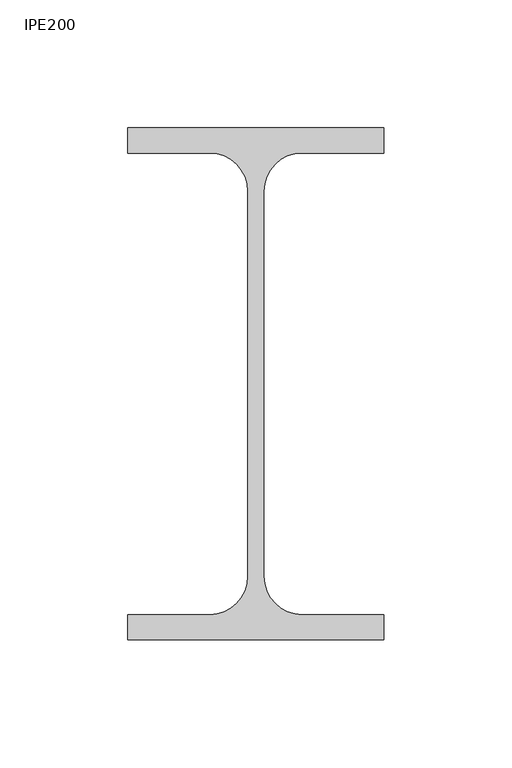
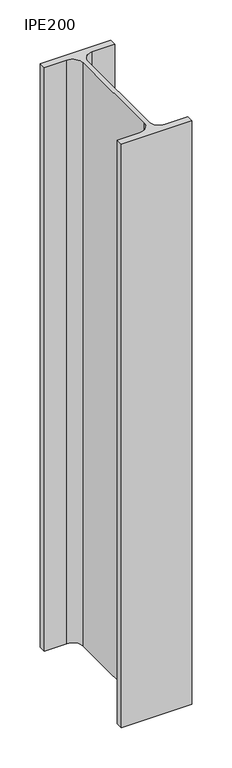
"""IFC4 building model written with IfcOpenShell, lengths in millimetres: column geometry, IPE200."""

from ifc_helpers import new_model, si_unit, point, frame, frame_2d, origin, place, context, project, spatial, polyline, circle_curve, trimmed, segment, composite_curve, outline, extrude, source, transform, mapped, element, save


def ipe200_886f3760(model_context):
    return source(origin(), model_context, "Body", "SweptSolid", [
        extrude(outline(composite_curve([segment(polyline([(50.0, 100.0), (50.0, 90.2), (18.1, 90.2)]), True, "CONTINUOUS"), segment(trimmed(circle_curve(frame_2d((18.1, 75.2)), 15.0), [point((18.1, 90.2))], [point((3.1, 75.2))], True, "CARTESIAN"), True, "CONTINUOUS"), segment(polyline([(3.1, 75.2), (3.1, -75.2)]), True, "CONTINUOUS"), segment(trimmed(circle_curve(frame_2d((18.1, -75.2)), 15.0), [point((3.1, -75.2))], [point((18.1, -90.2))], True, "CARTESIAN"), True, "CONTINUOUS"), segment(polyline([(18.1, -90.2), (50.0, -90.2), (50.0, -100.0), (-50.0, -100.0), (-50.0, -90.2), (-18.1, -90.2)]), True, "CONTINUOUS"), segment(trimmed(circle_curve(frame_2d((-18.1, -75.2)), 15.0), [point((-18.1, -90.2))], [point((-3.1, -75.2))], True, "CARTESIAN"), True, "CONTINUOUS"), segment(polyline([(-3.1, -75.2), (-3.1, 75.2)]), True, "CONTINUOUS"), segment(trimmed(circle_curve(frame_2d((-18.1, 75.2)), 15.0), [point((-3.1, 75.2))], [point((-18.1, 90.2))], True, "CARTESIAN"), True, "CONTINUOUS"), segment(polyline([(-18.1, 90.2), (-50.0, 90.2), (-50.0, 100.0), (50.0, 100.0)]), True, "CONTINUOUS")], self_intersect=False)), frame((0.0, 0.0, 9380.0), z_axis=(0.0, 0.0, 1.0), x_axis=(1.0, 0.0, 0.0)), (0.0, 0.0, 1.0), 880.0),
    ])


if __name__ == "__main__":
    model = new_model("IFC4")
    model_context = context("Model", 3, world=origin())
    ifc_project = project(units=[si_unit("LENGTHUNIT", "METRE", prefix="MILLI")], contexts=[model_context])
    site = spatial("IfcSite", under=ifc_project)
    building = spatial("IfcBuilding", under=site)
    placement = place(None, origin())
    ipe200_shape = ipe200_886f3760(model_context)
    element("IfcColumn", 1, ObjectType="IPE200", at=placement, inside=building, context=model_context, shape_type="MappedRepresentation", body=[
        mapped(ipe200_shape, transform((0.0, 0.0, 0.0), x_axis=(1.0, 0.0, 0.0), y_axis=(0.0, 1.0, 0.0), z_axis=(0.0, 0.0, 1.0))),
    ])
    save(model, "model.ifc")
